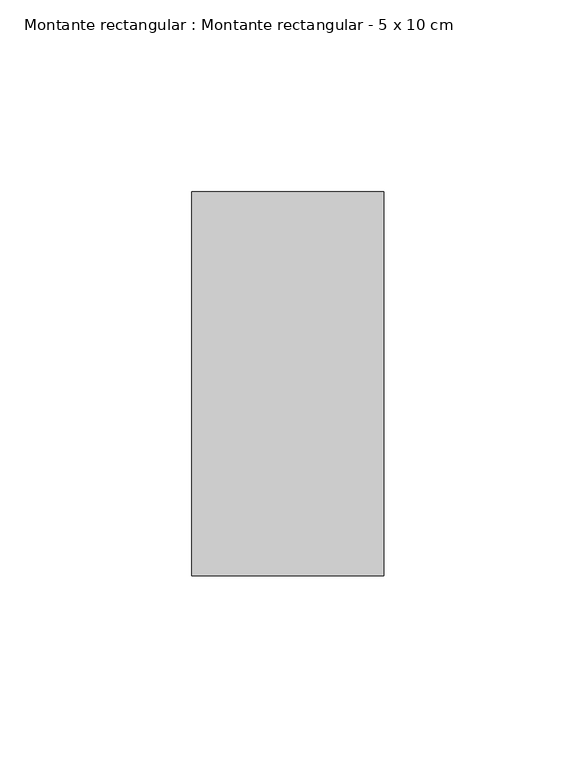
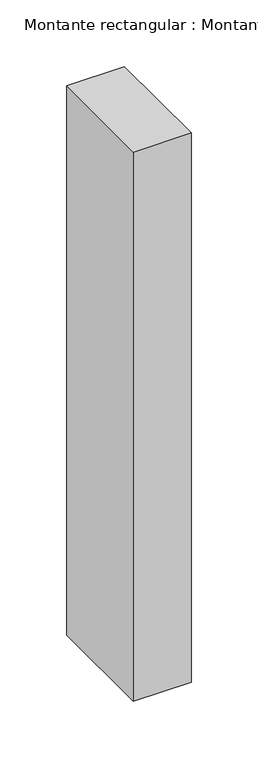
"""IFC4 building model written with IfcOpenShell, lengths in millimetres: member geometry, Montante rectangular : Montante rectangular - 5 x 10 cm."""

from ifc_helpers import new_model, si_unit, frame, origin, place, context, project, spatial, polyline, outline, extrude, source, transform, mapped, element, save


def montante_rectangular_montante_rectangular_5_x_10_cm_4b30ebd2(model_context):
    return source(origin(), model_context, "Body", "SweptSolid", [
        extrude(outline(polyline([(0.0, 50.0), (0.0, -50.0), (-50.0, -50.0), (-50.0, 50.0), (0.0, 50.0)])), frame((0.0, 0.0, -503.0), z_axis=(0.0, 0.0, 1.0), x_axis=(1.0, 0.0, 0.0)), (0.0, 0.0, 1.0), 503.0),
    ])


if __name__ == "__main__":
    model = new_model("IFC4")
    model_context = context("Model", 3, world=origin())
    ifc_project = project(units=[si_unit("LENGTHUNIT", "METRE", prefix="MILLI")], contexts=[model_context])
    site = spatial("IfcSite", under=ifc_project)
    building = spatial("IfcBuilding", under=site)
    placement = place(None, origin())
    montante_rectangular_montante_rectangular_5_x_10_cm_shape = montante_rectangular_montante_rectangular_5_x_10_cm_4b30ebd2(model_context)
    element("IfcMember", 1, ObjectType="Montante rectangular : Montante rectangular - 5 x 10 cm", at=placement, inside=building, context=model_context, shape_type="MappedRepresentation", body=[
        mapped(montante_rectangular_montante_rectangular_5_x_10_cm_shape, transform((0.0, 0.0, 0.0), x_axis=(1.0, 0.0, 0.0), y_axis=(0.0, 1.0, 0.0), z_axis=(0.0, 0.0, 1.0))),
    ])
    save(model, "model.ifc")
